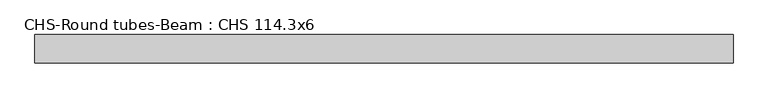
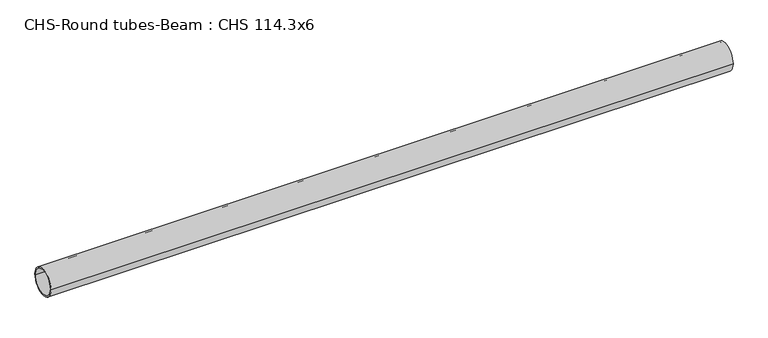
"""IFC4 building model written with IfcOpenShell, lengths in millimetres: beam geometry, CHS-Round tubes-Beam : CHS 114.3x6."""

from ifc_helpers import new_model, si_unit, point, frame, origin, origin_2d, place, context, project, spatial, circle_curve, trimmed, segment, composite_curve, outline, extrude, source, transform, mapped, element, save


def chs_round_tubes_beam_chs_114_3x6_382e423e(model_context):
    return source(origin(), model_context, "Body", "SweptSolid", [
        extrude(outline(composite_curve([segment(trimmed(circle_curve(origin_2d(), 57.15), [point((57.15, 0.0))], [point((-57.15, 0.0))], False, "CARTESIAN"), True, "CONTINUOUS"), segment(trimmed(circle_curve(origin_2d(), 57.15), [point((-57.15, 0.0))], [point((57.15, 0.0))], False, "CARTESIAN"), True, "CONTINUOUS")], self_intersect=False), holes=[composite_curve([segment(trimmed(circle_curve(origin_2d(), 51.15), [point((51.15, 0.0))], [point((-51.15, 0.0))], True, "CARTESIAN"), True, "CONTINUOUS"), segment(trimmed(circle_curve(origin_2d(), 51.15), [point((-51.15, 0.0))], [point((51.15, 0.0))], True, "CARTESIAN"), True, "CONTINUOUS")], self_intersect=False)]), frame((-1398.7877641, 0.0, 0.0), z_axis=(1.0, 0.0, 0.0), x_axis=(0.0, 1.0, 0.0)), (0.0, 0.0, 1.0), 2808.3698876),
    ])


if __name__ == "__main__":
    model = new_model("IFC4")
    model_context = context("Model", 3, world=origin())
    ifc_project = project(units=[si_unit("LENGTHUNIT", "METRE", prefix="MILLI")], contexts=[model_context])
    site = spatial("IfcSite", under=ifc_project)
    building = spatial("IfcBuilding", under=site)
    placement = place(None, origin())
    chs_round_tubes_beam_chs_114_3x6_shape = chs_round_tubes_beam_chs_114_3x6_382e423e(model_context)
    element("IfcBeam", 1, ObjectType="CHS-Round tubes-Beam : CHS 114.3x6", at=placement, inside=building, context=model_context, shape_type="MappedRepresentation", body=[
        mapped(chs_round_tubes_beam_chs_114_3x6_shape, transform((0.0, 0.0, 0.0), x_axis=(1.0, 0.0, 0.0), y_axis=(0.0, 1.0, 0.0), z_axis=(0.0, 0.0, 1.0))),
    ])
    save(model, "model.ifc")
